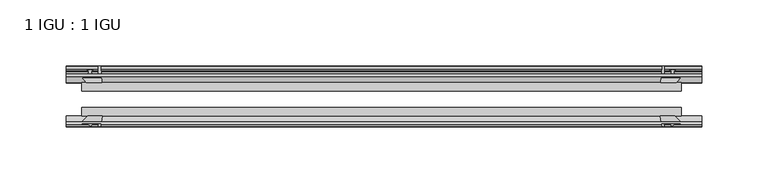
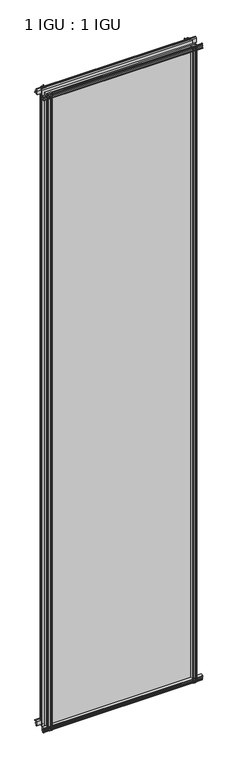
"""IFC4 building model written with IfcOpenShell, lengths in millimetres: plate geometry, 1 IGU : 1 IGU."""

from ifc_helpers import new_model, si_unit, point, frame, frame_2d, origin, place, context, project, spatial, polyline, circle_curve, trimmed, segment, composite_curve, outline, extrude, source, transform, mapped, element, save


def plate_1_igu_1_igu_87a4fdb3(model_context):
    return source(origin(), model_context, "Body", "SweptSolid", [
        extrude(outline(composite_curve([segment(polyline([(-57.0900403, 1.731044), (-50.00625, 3.0983599), (-50.00625, -7.92383), (-54.1882244, -12.1058044)]), True, "CONTINUOUS"), segment(trimmed(circle_curve(frame_2d((-55.08625, -11.2077788)), 1.27), [point((-54.1882244, -12.1058044))], [point((-56.35625, -11.2077788))], False, "CARTESIAN"), True, "CONTINUOUS"), segment(polyline([(-56.35625, -11.2077788), (-56.35625, -8.0327788), (-57.835546, -5.4488186), (-56.35625, -5.1879788), (-56.35625, 0.2222212), (-57.65913, 0.0383748)]), True, "CONTINUOUS"), segment(trimmed(circle_curve(frame_2d((-56.9150839, 0.7302212)), 1.016), [point((-57.65913, 0.0383748))], [point((-57.0900403, 1.731044))], False, "CARTESIAN"), True, "CONTINUOUS")], self_intersect=False)), frame((-238.8330249, 0.0, 0.0), z_axis=(1.0, 0.0, 0.0), x_axis=(0.0, 1.0, 0.0)), (0.0, 0.0, 1.0), 481.7046499),
        extrude(outline(composite_curve([segment(polyline([(-24.60625, 2.5763839), (-12.8423053, 1.6478499)]), True, "CONTINUOUS"), segment(trimmed(circle_curve(frame_2d((-12.92225, 0.635)), 1.016), [point((-12.8423053, 1.6478499))], [point((-12.1291353, 0.0))], False, "CARTESIAN"), True, "CONTINUOUS"), segment(polyline([(-12.1291353, 0.0), (-18.25625, 0.0), (-18.25625, -4.953), (-15.9568457, -5.5691235), (-16.3325195, -4.1670901), (-15.4738114, -3.937), (-14.82725, -6.35), (-15.4738114, -8.763), (-16.3325195, -8.5329099), (-15.9568457, -7.1308765), (-18.25625, -7.747), (-18.25625, -12.7), (-20.28825, -12.7), (-24.60625, -9.1036931), (-24.60625, 2.5763839)]), True, "CONTINUOUS")], self_intersect=False)), frame((-238.8330249, 0.0, 0.0), z_axis=(1.0, 0.0, 0.0), x_axis=(0.0, 1.0, 0.0)), (0.0, 0.0, 1.0), 481.7046499),
        extrude(outline(composite_curve([segment(polyline([(-20.28825, 2019.3), (-18.25625, 2019.3), (-18.25625, 2014.347), (-15.9568457, 2013.7308765), (-16.3325195, 2015.1329099), (-15.4738114, 2015.363), (-14.82725, 2012.95), (-15.4738114, 2010.537), (-16.3325195, 2010.7670901), (-15.9568457, 2012.1691235), (-18.25625, 2011.553), (-18.25625, 2006.6), (-12.1291353, 2006.6)]), True, "CONTINUOUS"), segment(trimmed(circle_curve(frame_2d((-12.92225, 2005.965)), 1.016), [point((-12.1291353, 2006.6))], [point((-12.8423053, 2004.9521501))], False, "CARTESIAN"), True, "CONTINUOUS"), segment(polyline([(-12.8423053, 2004.9521501), (-24.60625, 2004.0236161), (-24.60625, 2015.7036931), (-20.28825, 2019.3)]), True, "CONTINUOUS")], self_intersect=False)), frame((-238.8330249, 0.0, 0.0), z_axis=(1.0, 0.0, 0.0), x_axis=(0.0, 1.0, 0.0)), (0.0, 0.0, 1.0), 481.7046499),
        extrude(outline(composite_curve([segment(trimmed(circle_curve(frame_2d((-56.9150839, 2005.8697788)), 1.016), [point((-57.0900403, 2004.868956))], [point((-57.65913, 2006.5616252))], False, "CARTESIAN"), True, "CONTINUOUS"), segment(polyline([(-57.65913, 2006.5616252), (-56.35625, 2006.3777788), (-56.35625, 2011.7879788), (-57.835546, 2012.0488186), (-56.35625, 2014.6327788), (-56.35625, 2017.8077788)]), True, "CONTINUOUS"), segment(trimmed(circle_curve(frame_2d((-55.08625, 2017.8077788)), 1.27), [point((-56.35625, 2017.8077788))], [point((-54.1882244, 2018.7058044))], False, "CARTESIAN"), True, "CONTINUOUS"), segment(polyline([(-54.1882244, 2018.7058044), (-50.00625, 2014.52383), (-50.00625, 2003.5016401), (-57.0900403, 2004.868956)]), True, "CONTINUOUS")], self_intersect=False)), frame((-238.8330249, 0.0, 0.0), z_axis=(1.0, 0.0, 0.0), x_axis=(0.0, 1.0, 0.0)), (0.0, 0.0, 1.0), 481.7046499),
        extrude(outline(composite_curve([segment(polyline([(211.720241, -24.60625), (212.6487751, -12.8423053)]), True, "CONTINUOUS"), segment(trimmed(circle_curve(frame_2d((213.6616249, -12.92225)), 1.016), [point((212.6487751, -12.8423053))], [point((214.2966249, -12.1291353))], False, "CARTESIAN"), True, "CONTINUOUS"), segment(polyline([(214.2966249, -12.1291353), (214.2966249, -18.25625), (219.2496249, -18.25625), (219.8657485, -15.9568457), (218.4637151, -16.3325195), (218.2336249, -15.4738114), (220.6466249, -14.82725), (223.0596249, -15.4738114), (222.8295348, -16.3325195), (221.4275014, -15.9568457), (222.0436249, -18.25625), (226.9966249, -18.25625), (226.9966249, -20.28825), (223.400318, -24.60625), (211.720241, -24.60625)]), True, "CONTINUOUS")], self_intersect=False)), frame((0.0, 0.0, -12.7), z_axis=(0.0, 0.0, 1.0), x_axis=(1.0, 0.0, 0.0)), (0.0, 0.0, 1.0), 2032.0),
        extrude(outline(composite_curve([segment(polyline([(219.4846037, -56.35625), (214.0744037, -56.35625), (214.2582501, -57.65913)]), True, "CONTINUOUS"), segment(trimmed(circle_curve(frame_2d((213.5664037, -56.9150839)), 1.016), [point((214.2582501, -57.65913))], [point((212.5655809, -57.0900403))], False, "CARTESIAN"), True, "CONTINUOUS"), segment(polyline([(212.5655809, -57.0900403), (211.198265, -50.00625), (222.220455, -50.00625), (226.4024293, -54.1882244)]), True, "CONTINUOUS"), segment(trimmed(circle_curve(frame_2d((225.5044037, -55.08625)), 1.27), [point((226.4024293, -54.1882244))], [point((225.5044037, -56.35625))], False, "CARTESIAN"), True, "CONTINUOUS"), segment(polyline([(225.5044037, -56.35625), (222.3294037, -56.35625), (219.7454435, -57.835546), (219.4846037, -56.35625)]), True, "CONTINUOUS")], self_intersect=False)), frame((0.0, 0.0, -12.7), z_axis=(0.0, 0.0, 1.0), x_axis=(1.0, 0.0, 0.0)), (0.0, 0.0, 1.0), 2032.0),
        extrude(outline(composite_curve([segment(polyline([(-211.720241, -24.60625), (-223.400318, -24.60625), (-226.9966249, -20.28825), (-226.9966249, -18.25625), (-222.0436249, -18.25625), (-221.4275014, -15.9568457), (-222.8295348, -16.3325195), (-223.0596249, -15.4738114), (-220.6466249, -14.82725), (-218.2336249, -15.4738114), (-218.4637151, -16.3325195), (-219.8657485, -15.9568457), (-219.2496249, -18.25625), (-214.2966249, -18.25625), (-214.2966249, -12.1291353)]), True, "CONTINUOUS"), segment(trimmed(circle_curve(frame_2d((-213.6616249, -12.92225)), 1.016), [point((-214.2966249, -12.1291353))], [point((-212.6487751, -12.8423053))], False, "CARTESIAN"), True, "CONTINUOUS"), segment(polyline([(-212.6487751, -12.8423053), (-211.720241, -24.60625)]), True, "CONTINUOUS")], self_intersect=False)), frame((0.0, 0.0, -12.7), z_axis=(0.0, 0.0, 1.0), x_axis=(1.0, 0.0, 0.0)), (0.0, 0.0, 1.0), 2032.0),
        extrude(outline(composite_curve([segment(polyline([(-211.198265, -50.00625), (-212.5655809, -57.0900403)]), True, "CONTINUOUS"), segment(trimmed(circle_curve(frame_2d((-213.5664037, -56.9150839)), 1.016), [point((-212.5655809, -57.0900403))], [point((-214.2582501, -57.65913))], False, "CARTESIAN"), True, "CONTINUOUS"), segment(polyline([(-214.2582501, -57.65913), (-214.0744037, -56.35625), (-219.4846037, -56.35625), (-219.7454435, -57.835546), (-222.3294037, -56.35625), (-225.5044037, -56.35625)]), True, "CONTINUOUS"), segment(trimmed(circle_curve(frame_2d((-225.5044037, -55.08625)), 1.27), [point((-225.5044037, -56.35625))], [point((-226.4024293, -54.1882244))], False, "CARTESIAN"), True, "CONTINUOUS"), segment(polyline([(-226.4024293, -54.1882244), (-222.220455, -50.00625), (-211.198265, -50.00625)]), True, "CONTINUOUS")], self_intersect=False)), frame((0.0, 0.0, -12.7), z_axis=(0.0, 0.0, 1.0), x_axis=(1.0, 0.0, 0.0)), (0.0, 0.0, 1.0), 2032.0),
        extrude(outline(polyline([(-226.9966249, -24.60625), (226.9966249, -24.60625), (226.9966249, -30.95625), (-226.9966249, -30.95625), (-226.9966249, -24.60625)])), frame((0.0, 0.0, -12.7), z_axis=(0.0, 0.0, 1.0), x_axis=(1.0, 0.0, 0.0)), (0.0, 0.0, 1.0), 2032.0),
        extrude(outline(polyline([(226.9966249, -43.65625), (226.9966249, -50.00625), (-226.9966249, -50.00625), (-226.9966249, -43.65625), (226.9966249, -43.65625)])), frame((0.0, 0.0, -12.7), z_axis=(0.0, 0.0, 1.0), x_axis=(1.0, 0.0, 0.0)), (0.0, 0.0, 1.0), 2032.0),
    ])


if __name__ == "__main__":
    model = new_model("IFC4")
    model_context = context("Model", 3, world=origin())
    ifc_project = project(units=[si_unit("LENGTHUNIT", "METRE", prefix="MILLI")], contexts=[model_context])
    site = spatial("IfcSite", under=ifc_project)
    building = spatial("IfcBuilding", under=site)
    placement = place(None, origin())
    plate_1_igu_1_igu_shape = plate_1_igu_1_igu_87a4fdb3(model_context)
    element("IfcPlate", 1, ObjectType="1 IGU : 1 IGU", at=placement, inside=building, context=model_context, shape_type="MappedRepresentation", body=[
        mapped(plate_1_igu_1_igu_shape, transform((0.0, 0.0, 0.0), x_axis=(1.0, 0.0, 0.0), y_axis=(0.0, 1.0, 0.0), z_axis=(0.0, 0.0, 1.0))),
    ])
    save(model, "model.ifc")
